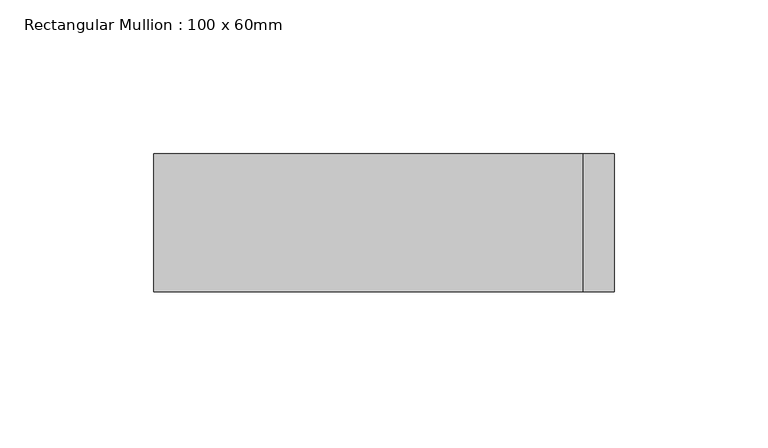
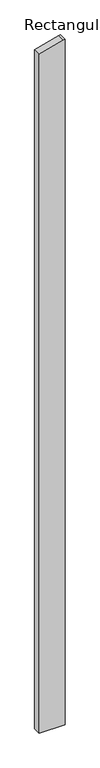
"""IFC4 building model written with IfcOpenShell, lengths in millimetres: member geometry, Rectangular Mullion : 100 x 60mm."""

from ifc_helpers import new_model, si_unit, frame, origin, place, context, project, spatial, polyline, outline, extrude, source, transform, mapped, element, save


def rectangular_mullion_100_x_60mm_350c3be4(model_context):
    return source(origin(), model_context, "Body", "SweptSolid", [
        extrude(outline(polyline([(-238.7228557, 75.0), (-241.4814566, 64.7047613), (-278.9152345, -75.0), (-4452.2242484, -75.0), (-4452.2242484, 75.0), (-238.7228557, 75.0)])), frame((0.0, -15.0, 0.0), z_axis=(0.0, 1.0, 0.0), x_axis=(0.0, 0.0, 1.0)), (0.0, 0.0, 1.0), 45.0),
    ])


if __name__ == "__main__":
    model = new_model("IFC4")
    model_context = context("Model", 3, world=origin())
    ifc_project = project(units=[si_unit("LENGTHUNIT", "METRE", prefix="MILLI")], contexts=[model_context])
    site = spatial("IfcSite", under=ifc_project)
    building = spatial("IfcBuilding", under=site)
    placement = place(None, origin())
    rectangular_mullion_100_x_60mm_shape = rectangular_mullion_100_x_60mm_350c3be4(model_context)
    element("IfcMember", 1, ObjectType="Rectangular Mullion : 100 x 60mm", at=placement, inside=building, context=model_context, shape_type="MappedRepresentation", body=[
        mapped(rectangular_mullion_100_x_60mm_shape, transform((0.0, 0.0, 0.0), x_axis=(1.0, 0.0, 0.0), y_axis=(0.0, 1.0, 0.0), z_axis=(0.0, 0.0, 1.0))),
    ])
    save(model, "model.ifc")
